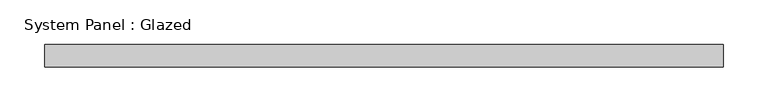
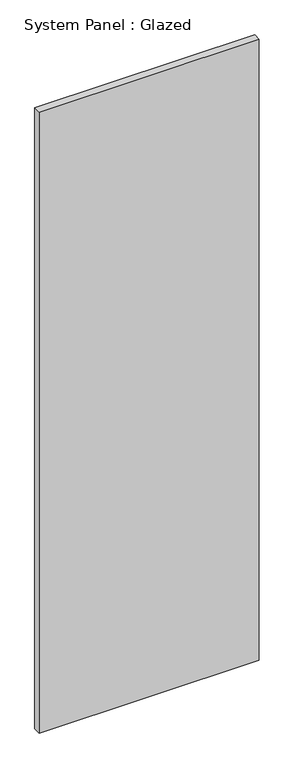
"""IFC4 building model written with IfcOpenShell, lengths in millimetres: plate geometry, System Panel : Glazed."""

from ifc_helpers import new_model, si_unit, origin, origin_with_axes, place, context, project, spatial, polyline, outline, extrude, source, transform, mapped, element, save


def system_panel_glazed_52fd9300(model_context):
    return source(origin(), model_context, "Body", "SweptSolid", [
        extrude(outline(polyline([(381.0000002, 19.05), (-381.0000002, 19.05), (-381.0000002, 44.45), (381.0000002, 44.45), (381.0000002, 19.05)])), origin_with_axes(), (0.0, 0.0, 1.0), 2271.6164637),
    ])


if __name__ == "__main__":
    model = new_model("IFC4")
    model_context = context("Model", 3, world=origin())
    ifc_project = project(units=[si_unit("LENGTHUNIT", "METRE", prefix="MILLI")], contexts=[model_context])
    site = spatial("IfcSite", under=ifc_project)
    building = spatial("IfcBuilding", under=site)
    placement = place(None, origin())
    system_panel_glazed_shape = system_panel_glazed_52fd9300(model_context)
    element("IfcPlate", 1, ObjectType="System Panel : Glazed", at=placement, inside=building, context=model_context, shape_type="MappedRepresentation", body=[
        mapped(system_panel_glazed_shape, transform((0.0, 0.0, 0.0), x_axis=(1.0, 0.0, 0.0), y_axis=(0.0, 1.0, 0.0), z_axis=(0.0, 0.0, 1.0))),
    ])
    save(model, "model.ifc")
